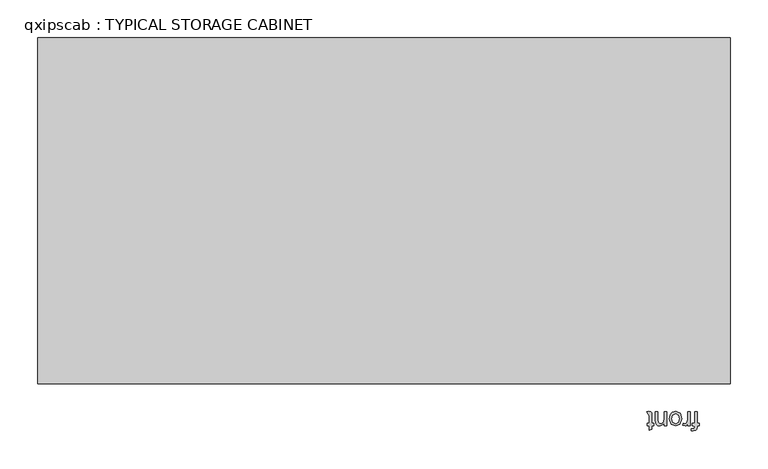
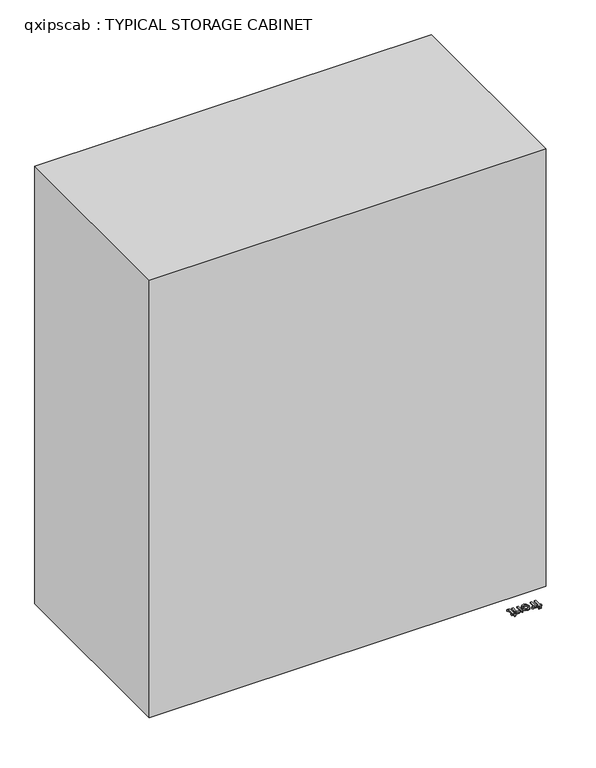
"""IFC4 building model written with IfcOpenShell, lengths in millimetres: proxy geometry, qxipscab : TYPICAL STORAGE CABINET."""

from ifc_helpers import new_model, si_unit, origin, origin_with_axes, place, context, project, spatial, polyline, outline, extrude, source, transform, mapped, element, save


def qxipscab_typical_storage_cabinet_38b9d78a(model_context):
    return source(origin(), model_context, "Body", "SweptSolid", [
        extrude(outline(polyline([(655.5717659, -945.9396618), (655.5717659, -961.1796618), (658.3071505, -961.1796618), (658.3071505, -964.3058156), (655.5717659, -964.3058156), (655.5717659, -966.1558637), (655.2420543, -968.7630272), (653.6423428, -970.6252868), (650.4917659, -971.3396618), (647.6403716, -970.9977387), (648.0983043, -968.0669695), (649.8995062, -968.2135079), (651.8686168, -967.6945175), (652.445612, -965.7589887), (648.9286889, -964.3058156), (648.9286889, -961.1796618), (652.445612, -961.1796618), (652.445612, -945.9396618), (655.5717659, -945.9396618)])), origin_with_axes(), (0.0, 0.0, 1.0), 3.302),
        extrude(outline(polyline([(646.1933043, -945.9396618), (646.1933043, -964.3058156), (643.4579197, -964.3058156), (643.4579197, -961.5887483), (641.5162851, -964.0921137), (639.5624389, -964.6965849), (636.4240736, -963.7318733), (637.4681601, -960.9293252), (639.666237, -961.570431), (641.4338572, -960.9537483), (642.5603716, -959.2441329), (643.0671505, -955.5928829), (643.0671505, -945.9396618), (646.1933043, -945.9396618)])), origin_with_axes(), (0.0, 0.0, 1.0), 3.302),
        extrude(outline(polyline([(635.2517659, -955.1227387), (632.5469101, -962.6633637), (627.0395062, -964.6965849), (621.1321745, -962.2206954), (618.8394582, -955.379181), (619.8530159, -949.8168252), (622.8051553, -946.6693012), (627.0395062, -945.5488925), (632.9834726, -948.0156233), (635.2517659, -955.1227387)]), holes=[polyline([(632.125612, -955.1288445), (630.6785447, -950.2839166), (627.0395062, -948.6750464), (623.4126793, -950.2930752), (621.965612, -955.2265368), (623.421838, -959.9615608), (627.0395062, -961.570431), (630.6785447, -959.9676666), (632.125612, -955.1288445)])]), origin_with_axes(), (0.0, 0.0, 1.0), 3.302),
        extrude(outline(polyline([(615.3225351, -945.9396618), (615.3225351, -964.3058156), (612.1963812, -964.3058156), (612.1963812, -961.7413925), (606.5424389, -964.6965849), (603.5902995, -964.1012724), (601.5753957, -962.5381954), (600.6381601, -960.2393733), (600.4733043, -957.2170175), (600.4733043, -945.9396618), (603.5994582, -945.9396618), (603.5994582, -956.7957195), (603.9596986, -959.5616329), (605.2327514, -961.0239647), (607.3789293, -961.570431), (610.7706841, -960.3431714), (612.1963812, -955.6844695), (612.1963812, -945.9396618), (615.3225351, -945.9396618)])), origin_with_axes(), (0.0, 0.0, 1.0), 3.302),
        extrude(outline(polyline([(591.0124149, -949.001705), (589.1409966, -945.8480752), (591.4795062, -945.5488925), (594.0988812, -946.0678829), (595.4055159, -947.4294695), (595.7840736, -950.9769214), (595.7840736, -961.1796618), (598.1286889, -961.1796618), (598.1286889, -964.3058156), (595.7840736, -964.3058156), (595.7840736, -968.7691329), (592.6579197, -970.6069695), (592.6579197, -964.3058156), (589.5317659, -964.3058156), (589.5317659, -961.1796618), (592.6579197, -961.1796618), (592.6579197, -951.0685079), (591.0124149, -949.001705)])), origin_with_axes(), (0.0, 0.0, 1.0), 3.302),
        extrude(outline(polyline([(699.1803622, -909.4570561), (-215.2196378, -909.4570561), (-215.2196378, -452.2570561), (699.1803622, -452.2570561), (699.1803622, -909.4570561)])), origin_with_axes(), (0.0, 0.0, 1.0), 1066.8),
    ])


if __name__ == "__main__":
    model = new_model("IFC4")
    model_context = context("Model", 3, world=origin())
    ifc_project = project(units=[si_unit("LENGTHUNIT", "METRE", prefix="MILLI")], contexts=[model_context])
    site = spatial("IfcSite", under=ifc_project)
    building = spatial("IfcBuilding", under=site)
    placement = place(None, origin())
    qxipscab_typical_storage_cabinet_shape = qxipscab_typical_storage_cabinet_38b9d78a(model_context)
    element("IfcBuildingElementProxy", 1, Name="qxipscab : TYPICAL STORAGE CABINET", ObjectType="qxipscab : TYPICAL STORAGE CABINET", at=placement, inside=building, context=model_context, shape_type="MappedRepresentation", body=[
        mapped(qxipscab_typical_storage_cabinet_shape, transform((0.0, 0.0, 0.0), x_axis=(1.0, 0.0, 0.0), y_axis=(0.0, 1.0, 0.0), z_axis=(0.0, 0.0, 1.0))),
    ])
    save(model, "model.ifc")
